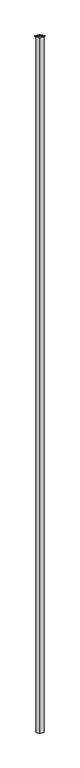
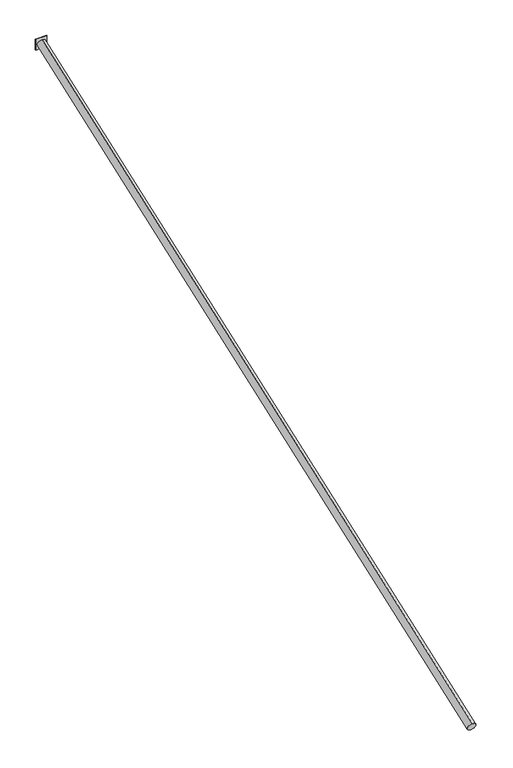
"""IFC4 building model written with IfcOpenShell, lengths in millimetres: proxy geometry."""

from ifc_helpers import new_model, si_unit, point, frame, origin, origin_2d, place, context, project, spatial, polyline, circle_curve, trimmed, segment, composite_curve, outline, extrude, source, transform, mapped, element, save


def generic_models_2aad0605(model_context):
    return source(origin(), model_context, "Body", "SweptSolid", [
        extrude(outline(polyline([(101.6, 0.0), (-101.6, 0.0), (-101.6, 12.7), (101.6, 12.7), (101.6, 0.0)])), frame((0.0, 0.0, -101.6), z_axis=(0.0, 0.0, 1.0), x_axis=(1.0, 0.0, 0.0)), (0.0, 0.0, 1.0), 203.2),
        extrude(outline(composite_curve([segment(trimmed(circle_curve(origin_2d(), 76.2), [point((0.0, -76.2))], [point((0.0, 76.2))], False, "CARTESIAN"), True, "CONTINUOUS"), segment(trimmed(circle_curve(origin_2d(), 76.2), [point((0.0, 76.2))], [point((0.0, -76.2))], False, "CARTESIAN"), True, "CONTINUOUS")], self_intersect=False)), frame((0.0, -13461.6606083, -4899.6437652), z_axis=(0.0, 0.9396926207859062, 0.34202014332567476), x_axis=(1.0, 0.0, 0.0)), (0.0, 0.0, 1.0), 14325.6),
    ])


if __name__ == "__main__":
    model = new_model("IFC4")
    model_context = context("Model", 3, world=origin())
    ifc_project = project(units=[si_unit("LENGTHUNIT", "METRE", prefix="MILLI")], contexts=[model_context])
    site = spatial("IfcSite", under=ifc_project)
    building = spatial("IfcBuilding", under=site)
    placement = place(None, origin())
    generic_models_shape = generic_models_2aad0605(model_context)
    element("IfcBuildingElementProxy", 1, Name="Generic Models", at=placement, inside=building, context=model_context, shape_type="MappedRepresentation", body=[
        mapped(generic_models_shape, transform((0.0, 0.0, 0.0), x_axis=(1.0, 0.0, 0.0), y_axis=(0.0, 1.0, 0.0), z_axis=(0.0, 0.0, 1.0))),
    ])
    save(model, "model.ifc")
